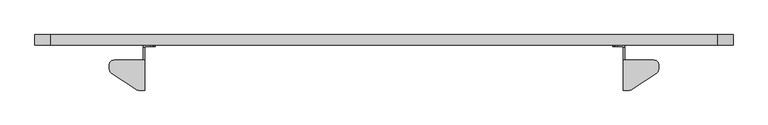
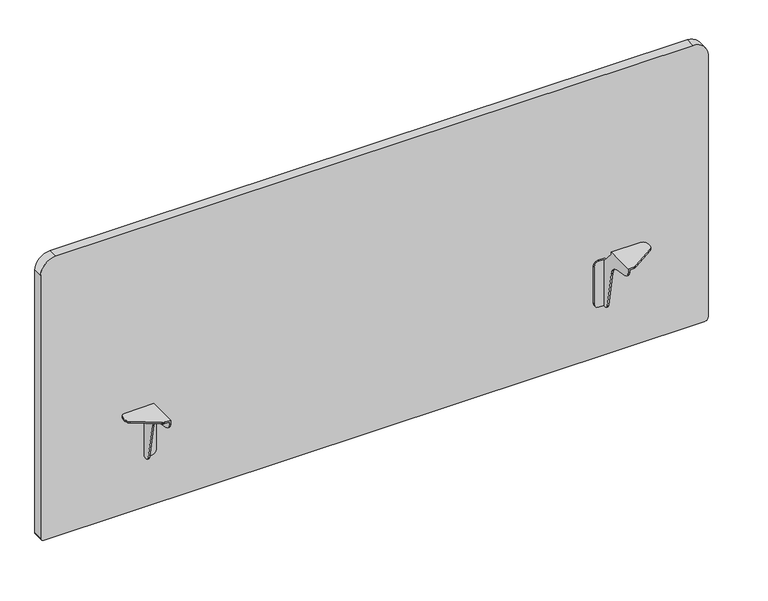
"""IFC4 building model written with IfcOpenShell, lengths in millimetres: furniture geometry."""

from ifc_helpers import new_model, si_unit, frame, origin, place, context, project, spatial, circle_curve, faceted_brep, source, transform, mapped, element, save
from ifc_brep_helpers import plane_surface, cylinder_surface, advanced_brep


def furniture_35da8af1(model_context):
    return source(origin(), model_context, "Body", "SolidModel", [
        faceted_brep([(150.1140022, -4.191, 711.1999758), (145.3515022, -5.4671079, 711.1999758), (141.8651052, -8.9534997, 711.1999758), (140.5890022, -13.7160003, 711.1999758), (140.5890022, -21.0825337, 711.1999758), (141.0989547, -24.1573597, 711.1999758), (142.5742099, -26.9029429, 711.1999758), (144.8568013, -29.0252947, 711.1999758), (190.5225004, -59.2507617, 711.1999758), (192.1602457, -60.1185186, 711.1999758), (193.9350465, -60.6526702, 711.1999758), (195.7797014, -60.8330007, 711.1999758), (206.8829935, -60.8330007, 711.1999758), (206.8829935, -4.191, 711.1999758), (195.7797014, -60.8330007, 708.1519787), (203.8350055, -60.8330007, 708.1519787), (203.8350055, -60.8330007, 703.5685375), (206.8829935, -60.8330007, 703.5685375), (203.8350055, 24.0030001, 585.9780044), (203.8350055, 24.0030001, 681.227968), (216.6619932, 24.0030001, 681.227968), (221.4244932, 24.0030001, 679.9518831), (224.9108902, 24.0030001, 676.465468), (226.1869932, 24.0030001, 671.702968), (226.1869932, 24.0030001, 595.5030044), (224.9108902, 24.0030001, 590.7405044), (221.4244932, 24.0030001, 587.2541256), (216.6619932, 24.0030001, 585.9780044), (203.8350055, -4.191, 708.1519787), (193.9350465, -60.6526702, 708.1519787), (192.1602457, -60.1185186, 708.1519787), (190.5225004, -59.2507617, 708.1519787), (144.8568013, -29.0252947, 708.1519787), (142.5742099, -26.9029429, 708.1519787), (141.0989547, -24.1573597, 708.1519787), (140.5890022, -21.0825337, 708.1519787), (140.5890022, -13.7160003, 708.1519787), (141.8651052, -8.9534997, 708.1519787), (145.3515022, -5.4671079, 708.1519787), (150.1140022, -4.191, 708.1519787), (203.8350055, -4.191, 706.1199806), (203.8350055, 18.9230004, 681.227968), (203.8350055, 15.8692828, 585.9780044), (203.8350055, 13.0194079, 586.6534355), (203.8350055, 10.7758006, 588.5360604), (203.8350055, 9.6157537, 591.2253222), (203.8350055, -3.5407041, 665.8392998), (203.8350055, -7.3334309, 675.3861734), (203.8350055, -14.597293, 682.6500469), (203.8350055, -24.1441564, 686.442766), (203.8350055, -50.3383334, 691.0615248), (203.8350055, -55.7169159, 693.3815866), (203.8350055, -59.4821339, 697.8688128), (206.8829935, -4.191, 706.1199806), (206.8829935, 18.9230004, 681.227968), (206.8829935, 20.9550007, 681.227968), (216.6619932, 20.9550007, 681.227968), (206.8829935, -50.3383334, 691.0615248), (206.8829935, -55.7169159, 693.3815866), (206.8829935, -59.4821339, 697.8688128), (216.6619932, 20.9550007, 585.9780044), (206.8829935, 20.9550007, 585.9780044), (206.8829935, 15.8692828, 585.9780044), (206.8829935, 13.0194079, 586.6534355), (206.8829935, 10.7758006, 588.5360604), (206.8829935, 9.6157537, 591.2253222), (206.8829935, -3.5407041, 665.8392998), (206.8829935, -7.3334309, 675.3861734), (206.8829935, -14.597293, 682.6500469), (206.8829935, -24.1441564, 686.442766), (221.4244932, 20.9550007, 587.2541256), (224.9108902, 20.9550007, 590.7405044), (226.1869932, 20.9550007, 595.5030044), (226.1869932, 20.9550007, 671.702968), (224.9108902, 20.9550007, 676.465468), (221.4244932, 20.9550007, 679.9518831)], [[[0, 1, 2, 3, 4, 5, 6, 7, 8, 9, 10, 11, 12, 13]], [[11, 14, 15, 16, 17, 12]], [[18, 19, 20, 21, 22, 23, 24, 25, 26, 27]], [[28, 15, 14, 29, 30, 31, 32, 33, 34, 35, 36, 37, 38, 39]], [[15, 28, 40, 41, 19, 18, 42, 43, 44, 45, 46, 47, 48, 49, 50, 51, 52, 16]], [[39, 0, 13, 53, 40, 28]], [[1, 0, 39, 38]], [[2, 1, 38, 37]], [[3, 2, 37, 36]], [[4, 3, 36, 35]], [[5, 4, 35, 34]], [[6, 5, 34, 33]], [[7, 6, 33, 32]], [[8, 7, 32, 31]], [[9, 8, 31, 30]], [[10, 9, 30, 29]], [[11, 10, 29, 14]], [[41, 40, 53, 54]], [[19, 41, 54, 55, 56, 20]], [[51, 50, 57, 58]], [[52, 51, 58, 59]], [[16, 52, 59, 17]], [[42, 18, 27, 60, 61, 62]], [[43, 42, 62, 63]], [[44, 43, 63, 64]], [[45, 44, 64, 65]], [[46, 45, 65, 66]], [[47, 46, 66, 67]], [[48, 47, 67, 68]], [[49, 48, 68, 69]], [[50, 49, 69, 57]], [[61, 55, 54, 53, 13, 12, 17, 59, 58, 57, 69, 68, 67, 66, 65, 64, 63, 62]], [[55, 61, 60, 70, 71, 72, 73, 74, 75, 56]], [[75, 21, 20, 56]], [[21, 75, 74, 22]], [[22, 74, 73, 23]], [[23, 73, 72, 24]], [[24, 72, 71, 25]], [[25, 71, 70, 26]], [[26, 70, 60, 27]]]),
        faceted_brep([(1157.9859978, -4.191, 711.1999758), (1101.2170065, -4.191, 711.1999758), (1101.2170065, -60.8330007, 711.1999758), (1112.3202986, -60.8330007, 711.1999758), (1114.1649535, -60.6526702, 711.1999758), (1115.9397543, -60.1185186, 711.1999758), (1117.5774996, -59.2507617, 711.1999758), (1163.2431987, -29.0252947, 711.1999758), (1165.5257901, -26.9029429, 711.1999758), (1167.0010453, -24.1573597, 711.1999758), (1167.5109978, -21.0825337, 711.1999758), (1167.5109978, -13.7160003, 711.1999758), (1166.2348948, -8.9534997, 711.1999758), (1162.7484978, -5.4671079, 711.1999758), (1101.2170065, -60.8330007, 703.5685375), (1104.2649945, -60.8330007, 703.5685375), (1104.2649945, -60.8330007, 708.1519787), (1112.3202986, -60.8330007, 708.1519787), (1104.2649945, 24.0030001, 585.9780044), (1091.4380068, 24.0030001, 585.9780044), (1086.6755068, 24.0030001, 587.2541256), (1083.1891098, 24.0030001, 590.7405044), (1081.9130068, 24.0030001, 595.5030044), (1081.9130068, 24.0030001, 671.702968), (1083.1891098, 24.0030001, 676.465468), (1086.6755068, 24.0030001, 679.9518831), (1091.4380068, 24.0030001, 681.227968), (1104.2649945, 24.0030001, 681.227968), (1104.2649945, -4.191, 708.1519787), (1157.9859978, -4.191, 708.1519787), (1162.7484978, -5.4671079, 708.1519787), (1166.2348948, -8.9534997, 708.1519787), (1167.5109978, -13.7160003, 708.1519787), (1167.5109978, -21.0825337, 708.1519787), (1167.0010453, -24.1573597, 708.1519787), (1165.5257901, -26.9029429, 708.1519787), (1163.2431987, -29.0252947, 708.1519787), (1117.5774996, -59.2507617, 708.1519787), (1115.9397543, -60.1185186, 708.1519787), (1114.1649535, -60.6526702, 708.1519787), (1104.2649945, -59.4821339, 697.8688128), (1104.2649945, -55.7169159, 693.3815866), (1104.2649945, -50.3383334, 691.0615248), (1104.2649945, -24.1441564, 686.442766), (1104.2649945, -14.597293, 682.6500469), (1104.2649945, -7.3334309, 675.3861734), (1104.2649945, -3.5407041, 665.8392998), (1104.2649945, 9.6157537, 591.2253222), (1104.2649945, 10.7758006, 588.5360604), (1104.2649945, 13.0194079, 586.6534355), (1104.2649945, 15.8692828, 585.9780044), (1104.2649945, 18.9230004, 681.227968), (1104.2649945, -4.191, 706.1199806), (1101.2170065, -4.191, 706.1199806), (1101.2170065, 18.9230004, 681.227968), (1091.4380068, 20.9550007, 681.227968), (1101.2170065, 20.9550007, 681.227968), (1101.2170065, -55.7169159, 693.3815866), (1101.2170065, -50.3383334, 691.0615248), (1101.2170065, -59.4821339, 697.8688128), (1101.2170065, 15.8692828, 585.9780044), (1101.2170065, 20.9550007, 585.9780044), (1091.4380068, 20.9550007, 585.9780044), (1101.2170065, 13.0194079, 586.6534355), (1101.2170065, 10.7758006, 588.5360604), (1101.2170065, 9.6157537, 591.2253222), (1101.2170065, -3.5407041, 665.8392998), (1101.2170065, -7.3334309, 675.3861734), (1101.2170065, -14.597293, 682.6500469), (1101.2170065, -24.1441564, 686.442766), (1086.6755068, 20.9550007, 679.9518831), (1083.1891098, 20.9550007, 676.465468), (1081.9130068, 20.9550007, 671.702968), (1081.9130068, 20.9550007, 595.5030044), (1083.1891098, 20.9550007, 590.7405044), (1086.6755068, 20.9550007, 587.2541256)], [[[0, 1, 2, 3, 4, 5, 6, 7, 8, 9, 10, 11, 12, 13]], [[3, 2, 14, 15, 16, 17]], [[18, 19, 20, 21, 22, 23, 24, 25, 26, 27]], [[28, 29, 30, 31, 32, 33, 34, 35, 36, 37, 38, 39, 17, 16]], [[16, 15, 40, 41, 42, 43, 44, 45, 46, 47, 48, 49, 50, 18, 27, 51, 52, 28]], [[29, 28, 52, 53, 1, 0]], [[13, 30, 29, 0]], [[12, 31, 30, 13]], [[11, 32, 31, 12]], [[10, 33, 32, 11]], [[9, 34, 33, 10]], [[8, 35, 34, 9]], [[7, 36, 35, 8]], [[6, 37, 36, 7]], [[5, 38, 37, 6]], [[4, 39, 38, 5]], [[3, 17, 39, 4]], [[51, 54, 53, 52]], [[27, 26, 55, 56, 54, 51]], [[41, 57, 58, 42]], [[40, 59, 57, 41]], [[15, 14, 59, 40]], [[50, 60, 61, 62, 19, 18]], [[49, 63, 60, 50]], [[48, 64, 63, 49]], [[47, 65, 64, 48]], [[46, 66, 65, 47]], [[45, 67, 66, 46]], [[44, 68, 67, 45]], [[43, 69, 68, 44]], [[42, 58, 69, 43]], [[61, 60, 63, 64, 65, 66, 67, 68, 69, 58, 57, 59, 14, 2, 1, 53, 54, 56]], [[56, 55, 70, 71, 72, 73, 74, 75, 62, 61]], [[70, 55, 26, 25]], [[25, 24, 71, 70]], [[24, 23, 72, 71]], [[23, 22, 73, 72]], [[22, 21, 74, 73]], [[21, 20, 75, 74]], [[20, 19, 62, 75]]]),
        advanced_brep(
        [(1276.6802, 24.003127, 1060.3985282), (31.4198, 24.003127, 1060.3985282), (1.5272932, 24.003127, 1030.5060214), (1.524, 24.003127, 487.8571282), (7.874, 24.003127, 481.5071282), (1300.226, 24.003127, 481.5071282), (1306.576, 24.003127, 487.8571282), (1306.576, 24.003127, 1030.5060214), (1276.6802, 43.053127, 1060.3985282), (1306.5727068, 43.053127, 1030.5060214), (1306.576, 43.053127, 487.8571282), (1300.226, 43.053127, 481.5071282), (7.874, 43.053127, 481.5071282), (1.524, 43.053127, 487.8571282), (1.524, 43.053127, 1030.5060214), (31.4198, 43.053127, 1060.3985282)],
        [
            (0, 1),
            (1, 2, circle_curve(frame((31.4198, 24.003127, 1030.5060214), z_axis=(0.0, -1.0, 0.0), x_axis=(1.0, 0.0, 0.0)), 29.8925068)),
            (2, 3),
            (3, 4, circle_curve(frame((7.874, 24.003127, 487.8571282), z_axis=(0.0, -1.0, 0.0), x_axis=(1.0, 0.0, 0.0)), 6.35)),
            (4, 5),
            (5, 6, circle_curve(frame((1300.226, 24.003127, 487.8571282), z_axis=(0.0, -1.0, 0.0), x_axis=(1.0, 0.0, 0.0)), 6.35)),
            (6, 7),
            (7, 0, circle_curve(frame((1276.6802, 24.003127, 1030.5060214), z_axis=(0.0, -1.0, 0.0), x_axis=(1.0, 0.0, 0.0)), 29.8925068)),
            (8, 9, circle_curve(frame((1276.6802, 43.053127, 1030.5060214), z_axis=(0.0, 1.0, 0.0), x_axis=(1.0, 0.0, 0.0)), 29.8925068)),
            (9, 10),
            (10, 11, circle_curve(frame((1300.226, 43.053127, 487.8571282), z_axis=(0.0, 1.0, 0.0), x_axis=(1.0, 0.0, 0.0)), 6.35)),
            (11, 12),
            (12, 13, circle_curve(frame((7.874, 43.053127, 487.8571282), z_axis=(0.0, 1.0, 0.0), x_axis=(1.0, 0.0, 0.0)), 6.35)),
            (13, 14),
            (14, 15, circle_curve(frame((31.4198, 43.053127, 1030.5060214), z_axis=(0.0, 1.0, 0.0), x_axis=(1.0, 0.0, 0.0)), 29.8925068)),
            (15, 8),
            (0, 8),
            (15, 1),
            (2, 14),
            (13, 3),
            (4, 12),
            (11, 5),
            (6, 10),
            (9, 7),
        ],
        [
            plane_surface(frame((31.4198, 24.003127, 1060.3985282), z_axis=(0.0, -1.0, 0.0), x_axis=(-1.0, 0.0, 0.0))),
            plane_surface(frame((31.4198, 43.053127, 1060.3985282), z_axis=(0.0, 1.0, 0.0), x_axis=(1.0, 0.0, 0.0))),
            plane_surface(frame((1276.6802, 24.003127, 1060.3985282), z_axis=(0.0, 0.0, 1.0), x_axis=(0.0, 1.0, 0.0))),
            plane_surface(frame((1.524, 24.003127, 1030.5060214), z_axis=(-1.0, 0.0, 0.0), x_axis=(0.0, 1.0, 0.0))),
            plane_surface(frame((7.874, 24.003127, 481.5071282), z_axis=(0.0, 0.0, -1.0), x_axis=(0.0, 1.0, 0.0))),
            plane_surface(frame((1306.576, 24.003127, 487.8571282), z_axis=(1.0, 0.0, 0.0), x_axis=(0.0, 1.0, 0.0))),
            cylinder_surface(frame((31.4198, 43.053127, 1030.5060214), z_axis=(0.0, -1.0, 0.0), x_axis=(1.0, 0.0, 0.0)), 29.8925068),
            cylinder_surface(frame((7.874, 43.053127, 487.8571282), z_axis=(0.0, -1.0, 0.0), x_axis=(1.0, 0.0, 0.0)), 6.35),
            cylinder_surface(frame((1300.226, 43.053127, 487.8571282), z_axis=(0.0, -1.0, 0.0), x_axis=(1.0, 0.0, 0.0)), 6.35),
            cylinder_surface(frame((1276.6802, 43.053127, 1030.5060214), z_axis=(0.0, -1.0, 0.0), x_axis=(1.0, 0.0, 0.0)), 29.8925068),
        ],
        [
            (0, [[1, 2, 3, 4, 5, 6, 7, 8]]),
            (1, [[9, 10, 11, 12, 13, 14, 15, 16]]),
            (2, [[-1, 17, -16, 18]]),
            (3, [[-3, 19, -14, 20]]),
            (4, [[-5, 21, -12, 22]]),
            (5, [[-7, 23, -10, 24]]),
            (6, [[-2, -18, -15, -19]]),
            (7, [[-4, -20, -13, -21]]),
            (8, [[-6, -22, -11, -23]]),
            (9, [[-8, -24, -9, -17]]),
        ],
    ),
    ])


if __name__ == "__main__":
    model = new_model("IFC4")
    model_context = context("Model", 3, world=origin())
    ifc_project = project(units=[si_unit("LENGTHUNIT", "METRE", prefix="MILLI")], contexts=[model_context])
    site = spatial("IfcSite", under=ifc_project)
    building = spatial("IfcBuilding", under=site)
    placement = place(None, origin())
    furniture_shape = furniture_35da8af1(model_context)
    element("IfcFurniture", 1, at=placement, inside=building, context=model_context, shape_type="MappedRepresentation", body=[
        mapped(furniture_shape, transform((0.0, 0.0, 0.0), x_axis=(1.0, 0.0, 0.0), y_axis=(0.0, 1.0, 0.0), z_axis=(0.0, 0.0, 1.0))),
    ])
    save(model, "model.ifc")
